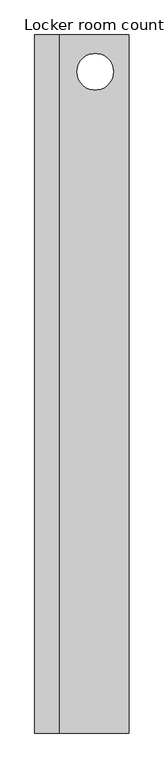
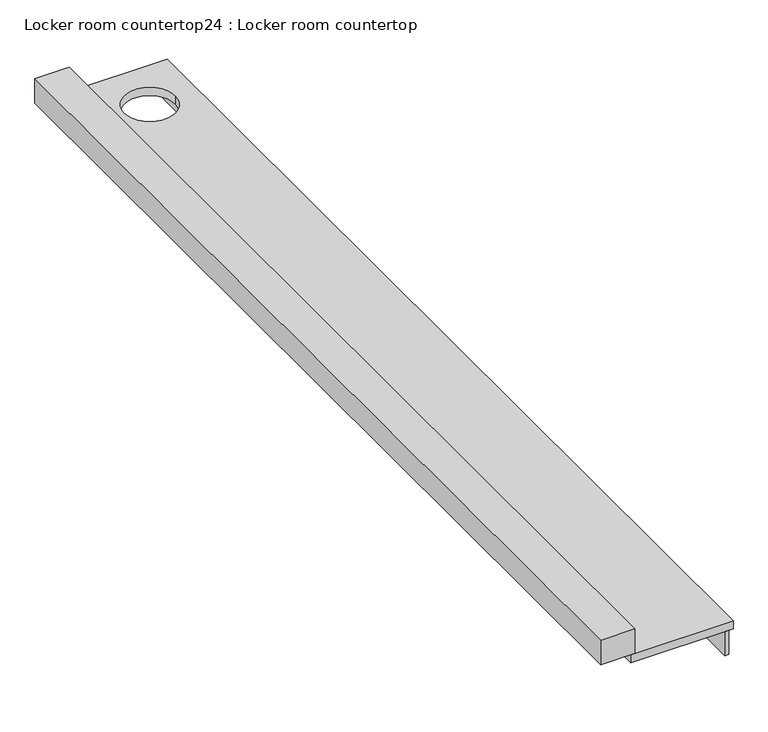
"""IFC4 building model written with IfcOpenShell, lengths in millimetres: furniture geometry, Locker room countertop24 : Locker room countertop."""

from ifc_helpers import new_model, si_unit, point, frame, frame_2d, origin, place, context, project, spatial, polyline, circle_curve, trimmed, segment, composite_curve, outline, extrude, source, transform, mapped, element, save


def locker_room_countertop24_locker_room_countertop_5d1fa9cf(model_context):
    return source(origin(), model_context, "Body", "SweptSolid", [
        extrude(outline(polyline([(464840.4254676, -263782.9830223), (464815.0254676, -263782.9830223), (464815.0254676, -257960.0330223), (464840.4254676, -257960.0330223), (464840.4254676, -263782.9830223)])), frame((0.0, 0.0, 660.4), z_axis=(0.0, 0.0, 1.0), x_axis=(1.0, 0.0, 0.0)), (0.0, 0.0, 1.0), 152.4),
        extrude(outline(polyline([(464281.6254676, -257960.0330223), (464281.6254676, -263782.9830223), (464078.4254676, -263782.9830223), (464078.4254676, -257960.0330223), (464281.6254676, -257960.0330223)])), frame((0.0, 0.0, 863.6), z_axis=(0.0, 0.0, 1.0), x_axis=(1.0, 0.0, 0.0)), (0.0, 0.0, 1.0), 152.4),
        extrude(outline(polyline([(464865.8254676, -257960.0330223), (464865.8254676, -263782.9830223), (464256.2254676, -263782.9830223), (464256.2254676, -257960.0330223), (464865.8254676, -257960.0330223)]), holes=[composite_curve([segment(trimmed(circle_curve(frame_2d((464583.6367195, -258266.949689)), 152.4), [point((464431.2367195, -258266.949689))], [point((464736.0367195, -258266.949689))], True, "CARTESIAN"), True, "CONTINUOUS"), segment(trimmed(circle_curve(frame_2d((464583.6367195, -258266.949689)), 152.4), [point((464736.0367195, -258266.949689))], [point((464431.2367195, -258266.949689))], True, "CARTESIAN"), True, "CONTINUOUS")], self_intersect=False)]), frame((0.0, 0.0, 812.8), z_axis=(0.0, 0.0, 1.0), x_axis=(1.0, 0.0, 0.0)), (0.0, 0.0, 1.0), 50.8),
    ])


if __name__ == "__main__":
    model = new_model("IFC4")
    model_context = context("Model", 3, world=origin())
    ifc_project = project(units=[si_unit("LENGTHUNIT", "METRE", prefix="MILLI")], contexts=[model_context])
    site = spatial("IfcSite", under=ifc_project)
    building = spatial("IfcBuilding", under=site)
    placement = place(None, origin())
    locker_room_countertop24_locker_room_countertop_shape = locker_room_countertop24_locker_room_countertop_5d1fa9cf(model_context)
    element("IfcFurniture", 1, ObjectType="Locker room countertop24 : Locker room countertop", at=placement, inside=building, context=model_context, shape_type="MappedRepresentation", body=[
        mapped(locker_room_countertop24_locker_room_countertop_shape, transform((0.0, 0.0, 0.0), x_axis=(1.0, 0.0, 0.0), y_axis=(0.0, 1.0, 0.0), z_axis=(0.0, 0.0, 1.0))),
    ])
    save(model, "model.ifc")
